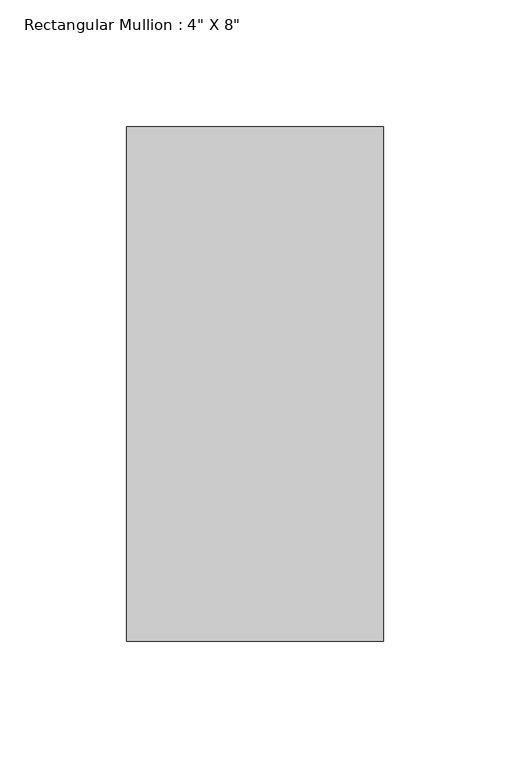
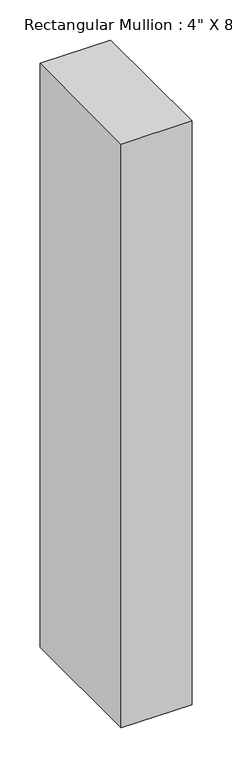
"""IFC4 building model written with IfcOpenShell, lengths in millimetres: member geometry."""

from ifc_helpers import new_model, si_unit, frame, origin, place, context, project, spatial, polyline, outline, extrude, source, transform, mapped, element, save


def member_9cfbbcd3(model_context):
    return source(origin(), model_context, "Body", "SweptSolid", [
        extrude(outline(polyline([(50.8, 63.5), (50.8, -139.7), (-50.8, -139.7), (-50.8, 63.5), (50.8, 63.5)])), frame((0.0, 0.0, -889.0), z_axis=(0.0, 0.0, 1.0), x_axis=(1.0, 0.0, 0.0)), (0.0, 0.0, 1.0), 889.0),
    ])


if __name__ == "__main__":
    model = new_model("IFC4")
    model_context = context("Model", 3, world=origin())
    ifc_project = project(units=[si_unit("LENGTHUNIT", "METRE", prefix="MILLI")], contexts=[model_context])
    site = spatial("IfcSite", under=ifc_project)
    building = spatial("IfcBuilding", under=site)
    placement = place(None, origin())
    member_shape = member_9cfbbcd3(model_context)
    element("IfcMember", 1, ObjectType="Rectangular Mullion : 4\" X 8\"", at=placement, inside=building, context=model_context, shape_type="MappedRepresentation", body=[
        mapped(member_shape, transform((0.0, 0.0, 0.0), x_axis=(1.0, 0.0, 0.0), y_axis=(0.0, 1.0, 0.0), z_axis=(0.0, 0.0, 1.0))),
    ])
    save(model, "model.ifc")
